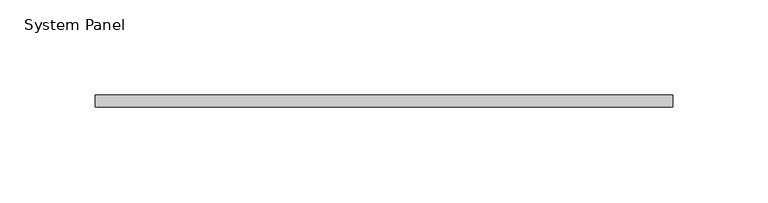
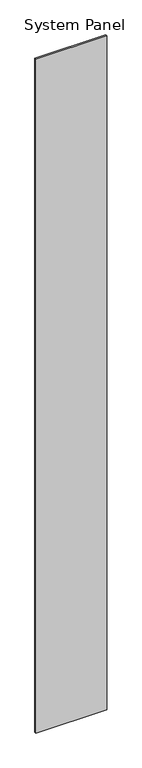
"""IFC4 building model written with IfcOpenShell, lengths in millimetres: plate geometry, System Panel."""

from ifc_helpers import new_model, si_unit, origin, origin_with_axes, place, context, project, spatial, polyline, outline, extrude, source, transform, mapped, element, save


def system_panel_ec89b609(model_context):
    return source(origin(), model_context, "Body", "SweptSolid", [
        extrude(outline(polyline([(151.7941778, 0.0), (-151.7941778, 0.0), (-151.7941778, 6.35), (151.7941778, 6.35), (151.7941778, 0.0)])), origin_with_axes(), (0.0, 0.0, 1.0), 3048.0),
    ])


if __name__ == "__main__":
    model = new_model("IFC4")
    model_context = context("Model", 3, world=origin())
    ifc_project = project(units=[si_unit("LENGTHUNIT", "METRE", prefix="MILLI")], contexts=[model_context])
    site = spatial("IfcSite", under=ifc_project)
    building = spatial("IfcBuilding", under=site)
    placement = place(None, origin())
    system_panel_shape = system_panel_ec89b609(model_context)
    element("IfcPlate", 1, ObjectType="System Panel", at=placement, inside=building, context=model_context, shape_type="MappedRepresentation", body=[
        mapped(system_panel_shape, transform((0.0, 0.0, 0.0), x_axis=(1.0, 0.0, 0.0), y_axis=(0.0, 1.0, 0.0), z_axis=(0.0, 0.0, 1.0))),
    ])
    save(model, "model.ifc")
